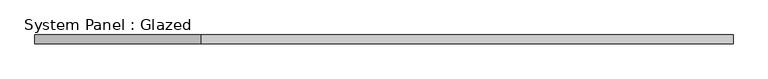
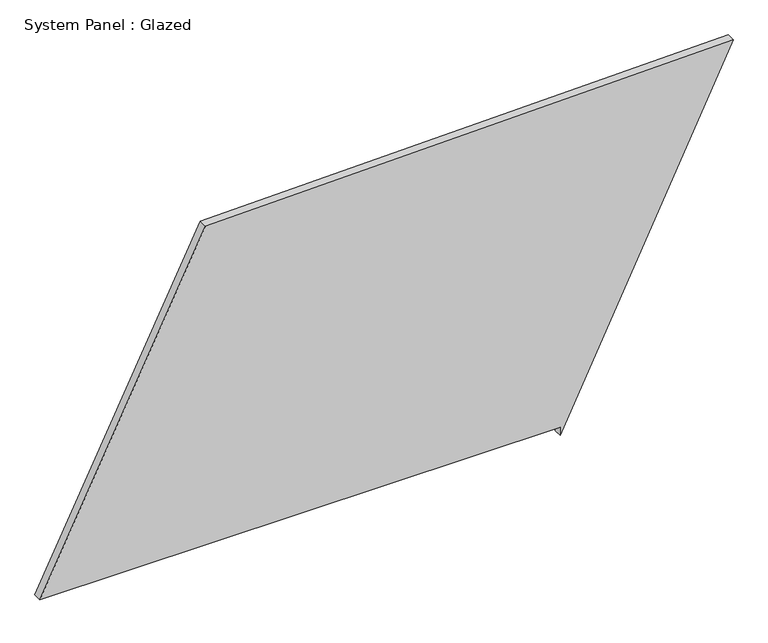
"""IFC4 building model written with IfcOpenShell, lengths in millimetres: plate geometry, System Panel : Glazed."""

from ifc_helpers import new_model, si_unit, frame, origin, place, context, project, spatial, polyline, outline, extrude, source, transform, mapped, element, save


def system_panel_glazed_e2c9e30a(model_context):
    return source(origin(), model_context, "Body", "SweptSolid", [
        extrude(outline(polyline([(25.0, 502.7929697), (0.0, 502.7929697), (1036.0241458, 1003.9960984), (1000.1754226, -524.9760407), (25.0, -1003.9960984), (25.0, 502.7929697)])), frame((0.0, -49.5, 0.0), z_axis=(0.0, 1.0, 0.0), x_axis=(0.0, 0.0, 1.0)), (0.0, 0.0, 1.0), 25.0),
    ])


if __name__ == "__main__":
    model = new_model("IFC4")
    model_context = context("Model", 3, world=origin())
    ifc_project = project(units=[si_unit("LENGTHUNIT", "METRE", prefix="MILLI")], contexts=[model_context])
    site = spatial("IfcSite", under=ifc_project)
    building = spatial("IfcBuilding", under=site)
    placement = place(None, origin())
    system_panel_glazed_shape = system_panel_glazed_e2c9e30a(model_context)
    element("IfcPlate", 1, ObjectType="System Panel : Glazed", at=placement, inside=building, context=model_context, shape_type="MappedRepresentation", body=[
        mapped(system_panel_glazed_shape, transform((0.0, 0.0, 0.0), x_axis=(1.0, 0.0, 0.0), y_axis=(0.0, 1.0, 0.0), z_axis=(0.0, 0.0, 1.0))),
    ])
    save(model, "model.ifc")
